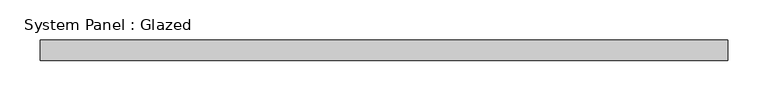
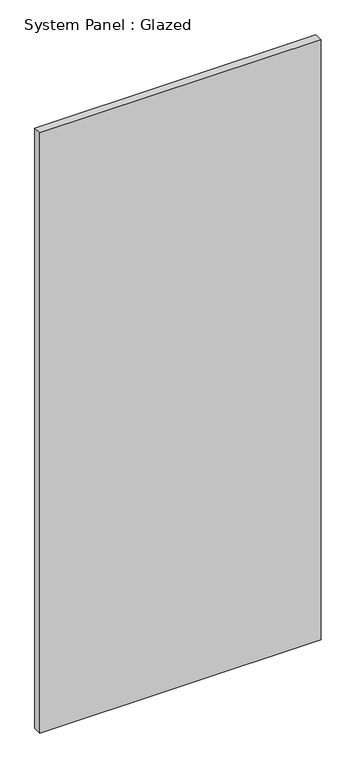
"""IFC4 building model written with IfcOpenShell, lengths in millimetres: plate geometry, System Panel : Glazed."""

import ifcopenshell
import ifcopenshell.guid

model = None  # the IFC model being written
_history = None  # IfcOwnerHistory: only IFC2X3 demands one
_inside = {}  # id of a spatial element -> (the spatial element, [elements in it])
_under = {}  # id of a project, library or spatial element -> (it, [spatial elements below it])
_declared = {}  # id of a project -> (the project, [libraries it declares])
_typed = {}  # id of a type object -> (the type object, [elements of that type])
_made_of = {}  # id of a material, layer set ... -> (it, [elements and type objects made of it])


def new_model(schema):
    """Start an empty IFC model of exactly this schema.

    Asked for "IFC4X3", IfcOpenShell would pick the latest addendum, in which some entities
    have other attributes; the version numbers below select the first issue.
    IFC2X3 requires an IfcOwnerHistory on every rooted entity: one is made here for all.
    """
    global model, _history
    if schema == "IFC4X3":
        model = ifcopenshell.file(schema_version=(4, 3, 0, 0))
    else:
        model = ifcopenshell.file(schema=schema)
    _inside.clear()
    _under.clear()
    _declared.clear()
    _typed.clear()
    _made_of.clear()
    _history = None
    if model.schema == "IFC2X3":
        org = make("IfcOrganization", Name="unknown")
        user = make(
            "IfcPersonAndOrganization",
            ThePerson=make("IfcPerson", FamilyName="unknown"),
            TheOrganization=org,
        )
        app = make(
            "IfcApplication",
            ApplicationDeveloper=org,
            Version="unknown",
            ApplicationFullName="unknown",
            ApplicationIdentifier="unknown",
        )
        _history = make(
            "IfcOwnerHistory",
            OwningUser=user,
            OwningApplication=app,
            ChangeAction="ADDED",
            CreationDate=0,
        )
    return model


def make(cls, **values):
    """One entity of the class cls with the attributes given. An attribute that is None is left unset."""
    return model.create_entity(
        cls, **{name: value for name, value in values.items() if value is not None}
    )


def rooted(cls, **values):
    """An entity with a GlobalId (a new one), such as an element, a storey or a relation."""
    return make(cls, GlobalId=ifcopenshell.guid.new(), OwnerHistory=_history, **values)


def si_unit(unit_type, name, prefix=None):
    """IfcSIUnit, for example si_unit("LENGTHUNIT", "METRE", prefix="MILLI")."""
    return make("IfcSIUnit", UnitType=unit_type, Prefix=prefix, Name=name)


def assignment(units):
    """IfcUnitAssignment: the units of a project."""
    return None if units is None else make("IfcUnitAssignment", Units=units)


def point(xyz):
    """IfcCartesianPoint."""
    return None if xyz is None else make("IfcCartesianPoint", Coordinates=xyz)


def direction(xyz):
    """IfcDirection."""
    return None if xyz is None else make("IfcDirection", DirectionRatios=xyz)


def frame(location, z_axis=None, x_axis=None):
    """IfcAxis2Placement3D, a coordinate frame: its origin and axes. An axis left out is left unset."""
    return make(
        "IfcAxis2Placement3D",
        Location=point(location),
        Axis=direction(z_axis),
        RefDirection=direction(x_axis),
    )


def origin():
    """The frame at (0, 0, 0) with its axes left unset."""
    return frame((0.0, 0.0, 0.0))


def origin_with_axes():
    """The frame at (0, 0, 0) with the z axis (0, 0, 1) and the x axis (1, 0, 0) written out."""
    return frame((0.0, 0.0, 0.0), z_axis=(0.0, 0.0, 1.0), x_axis=(1.0, 0.0, 0.0))


def place(relative_to, where):
    """IfcLocalPlacement: puts the frame where relative to a parent placement (None: the world)."""
    return make(
        "IfcLocalPlacement", PlacementRelTo=relative_to, RelativePlacement=where
    )


def context(
    kind, dimensions, precision=None, world=None, true_north=None, identifier=None
):
    """IfcGeometricRepresentationContext, for example the 3D "Model" context."""
    return make(
        "IfcGeometricRepresentationContext",
        ContextIdentifier=identifier,
        ContextType=kind,
        CoordinateSpaceDimension=dimensions,
        Precision=precision,
        WorldCoordinateSystem=world,
        TrueNorth=true_north,
    )


def project(units=None, contexts=None):
    """IfcProject with its units and contexts."""
    return rooted(
        "IfcProject",
        Name="project",
        RepresentationContexts=contexts,
        UnitsInContext=assignment(units),
    )


def spatial(cls, under=None, at=None, **own):
    """A site, building, storey or space (cls), placed at a placement, below another one or the project."""
    s = rooted(cls, ObjectPlacement=at, **own)
    if under is not None:
        _under.setdefault(under.id(), (under, []))[1].append(s)
    return s


def polyline(points):
    """IfcPolyline through the points."""
    return make("IfcPolyline", Points=[point(p) for p in points])


def outline(outer, holes=None, kind="AREA"):
    """IfcArbitraryClosedProfileDef: a profile drawn as a closed curve; with holes, ...WithVoids."""
    if holes is None:
        return make("IfcArbitraryClosedProfileDef", ProfileType=kind, OuterCurve=outer)
    return make(
        "IfcArbitraryProfileDefWithVoids",
        ProfileType=kind,
        OuterCurve=outer,
        InnerCurves=holes,
    )


def extrude(swept, where, along, depth):
    """IfcExtrudedAreaSolid: the profile swept, set in the frame where, extruded along a direction by depth."""
    return make(
        "IfcExtrudedAreaSolid",
        SweptArea=swept,
        Position=where,
        ExtrudedDirection=direction(along),
        Depth=depth,
    )


def shape(context_of_items, identifier, shape_type, items):
    """IfcShapeRepresentation: the items that make up one representation, for example the "Body"."""
    return make(
        "IfcShapeRepresentation",
        ContextOfItems=context_of_items,
        RepresentationIdentifier=identifier,
        RepresentationType=shape_type,
        Items=items,
    )


def source(mapping_origin, context_of_items, identifier, shape_type, items):
    """IfcRepresentationMap: a shape defined once, which mapped items show again and again."""
    return make(
        "IfcRepresentationMap",
        MappingOrigin=mapping_origin,
        MappedRepresentation=shape(context_of_items, identifier, shape_type, items),
    )


def transform(
    local_origin,
    x_axis=None,
    y_axis=None,
    z_axis=None,
    scale=None,
    scale2=None,
    scale3=None,
    uniform=True,
):
    """IfcCartesianTransformationOperator3D, or its non-uniform kind. x_axis, y_axis, z_axis: its Axis1, 2, 3."""
    if uniform:
        return make(
            "IfcCartesianTransformationOperator3D",
            Axis1=direction(x_axis),
            Axis2=direction(y_axis),
            LocalOrigin=point(local_origin),
            Scale=scale,
            Axis3=direction(z_axis),
        )
    return make(
        "IfcCartesianTransformationOperator3DnonUniform",
        Axis1=direction(x_axis),
        Axis2=direction(y_axis),
        LocalOrigin=point(local_origin),
        Scale=scale,
        Axis3=direction(z_axis),
        Scale2=scale2,
        Scale3=scale3,
    )


def mapped(mapping_source, mapping_target):
    """IfcMappedItem: shows the shape of a source again, moved by a transform."""
    return make(
        "IfcMappedItem", MappingSource=mapping_source, MappingTarget=mapping_target
    )


def made_of(thing, what):
    """Note that an element or type object is made of a material, layer set ...; save() writes the relation."""
    if what is not None:
        _made_of.setdefault(what.id(), (what, []))[1].append(thing)
    return thing


def element(
    cls,
    number,
    at=None,
    inside=None,
    cuts=None,
    type_object=None,
    material=None,
    context=None,
    identifier="Body",
    shape_type=None,
    held_by="IfcProductDefinitionShape",
    body=None,
    shapes=None,
    **own,
):
    """One element of the class cls, such as IfcWall. Its Tag is "e" and its number.

    at: its placement. inside: the storey or other place that contains it. cuts: it is an
    opening in that element (IfcRelVoidsElement). A single representation is given by context,
    identifier, shape_type and body (its items); several are given by shapes. held_by: the class
    of the entity that holds the representations. save() writes the other relations.
    """
    e = rooted(cls, Tag="e%d" % number, ObjectPlacement=at, **own)
    if body is not None:
        shapes = [shape(context, identifier, shape_type, body)]
    if shapes is not None:
        e.Representation = make(held_by, Representations=shapes)
    if inside is not None:
        _inside.setdefault(inside.id(), (inside, []))[1].append(e)
    if cuts is not None:
        rooted(
            "IfcRelVoidsElement", RelatingBuildingElement=cuts, RelatedOpeningElement=e
        )
    if type_object is not None:
        _typed.setdefault(type_object.id(), (type_object, []))[1].append(e)
    return made_of(e, material)


def aggregate(whole, parts):
    """IfcRelAggregates: a whole, such as a stair, and the parts it consists of."""
    return rooted("IfcRelAggregates", RelatingObject=whole, RelatedObjects=parts)


def save(model, path):
    """Write the relations noted so far, then the file.

    IfcRelAggregates (storeys below a building ...), IfcRelContainedInSpatialStructure (elements
    in a storey), IfcRelDefinesByType, IfcRelAssociatesMaterial and IfcRelDeclares: one each for
    every whole, place, type object, material and project.
    """
    for whole, parts in _under.values():
        aggregate(whole, parts)
    for where, things in _inside.values():
        rooted(
            "IfcRelContainedInSpatialStructure",
            RelatedElements=things,
            RelatingStructure=where,
        )
    for kind, things in _typed.values():
        rooted("IfcRelDefinesByType", RelatedObjects=things, RelatingType=kind)
    for what, things in _made_of.values():
        rooted("IfcRelAssociatesMaterial", RelatedObjects=things, RelatingMaterial=what)
    for by, libraries in _declared.values():
        rooted("IfcRelDeclares", RelatingContext=by, RelatedDefinitions=libraries)
    model.write(path)


def system_panel_glazed_addd16ca(model_context):
    return source(origin(), model_context, "Body", "SweptSolid", [
        extrude(outline(polyline([(426.7664634, 19.05), (-426.7664634, 19.05), (-426.7664634, 44.45), (426.7664634, 44.45), (426.7664634, 19.05)])), origin_with_axes(), (0.0, 0.0, 1.0), 1924.05),
    ])


if __name__ == "__main__":
    model = new_model("IFC4")
    model_context = context("Model", 3, world=origin())
    ifc_project = project(units=[si_unit("LENGTHUNIT", "METRE", prefix="MILLI")], contexts=[model_context])
    site = spatial("IfcSite", under=ifc_project)
    building = spatial("IfcBuilding", under=site)
    placement = place(None, origin())
    system_panel_glazed_shape = system_panel_glazed_addd16ca(model_context)
    element("IfcPlate", 1, ObjectType="System Panel : Glazed", at=placement, inside=building, context=model_context, shape_type="MappedRepresentation", body=[
        mapped(system_panel_glazed_shape, transform((0.0, 0.0, 0.0), x_axis=(1.0, 0.0, 0.0), y_axis=(0.0, 1.0, 0.0), z_axis=(0.0, 0.0, 1.0))),
    ])
    save(model, "model.ifc")
